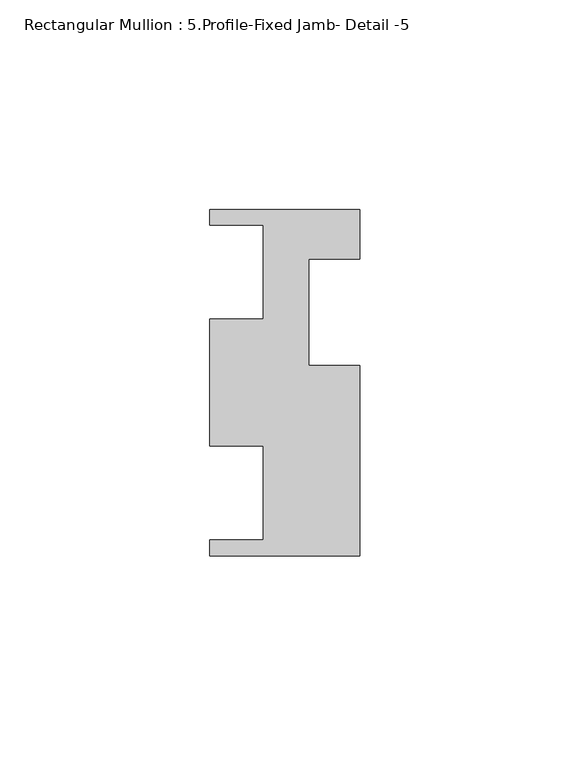
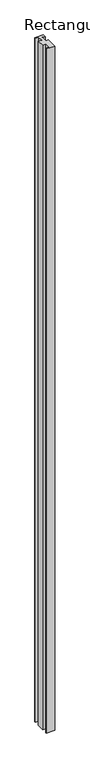
"""IFC4 building model written with IfcOpenShell, lengths in millimetres: member geometry, Rectangular Mullion : 5.Profile-Fixed Jamb- Detail -5."""

from ifc_helpers import new_model, si_unit, frame, origin, place, context, project, spatial, polyline, outline, extrude, source, transform, mapped, element, save


def rectangular_mullion_5_profile_fixed_jamb_detail_5_4b2dcb3e(model_context):
    return source(origin(), model_context, "Body", "SweptSolid", [
        extrude(outline(polyline([(-35.7632, 41.2876731), (0.0, 41.2876731), (0.0, 29.4512731), (-12.2174, 29.4512731), (-12.2174, 4.0512731), (0.0, 4.0512731), (0.0, -41.2623269), (-35.7632, -41.2623269), (-35.7632, -37.5285269), (-23.0632, -37.5285269), (-23.0632, -15.1511269), (-35.7632, -15.1511269), (-35.7632, 15.1764731), (-23.0632, 15.1764731), (-23.0632, 37.5538731), (-35.7632, 37.5538731), (-35.7632, 41.2876731)])), frame((0.0, 0.0, -3048.0), z_axis=(0.0, 0.0, 1.0), x_axis=(1.0, 0.0, 0.0)), (0.0, 0.0, 1.0), 3048.0),
    ])


if __name__ == "__main__":
    model = new_model("IFC4")
    model_context = context("Model", 3, world=origin())
    ifc_project = project(units=[si_unit("LENGTHUNIT", "METRE", prefix="MILLI")], contexts=[model_context])
    site = spatial("IfcSite", under=ifc_project)
    building = spatial("IfcBuilding", under=site)
    placement = place(None, origin())
    rectangular_mullion_5_profile_fixed_jamb_detail_5_shape = rectangular_mullion_5_profile_fixed_jamb_detail_5_4b2dcb3e(model_context)
    element("IfcMember", 1, ObjectType="Rectangular Mullion : 5.Profile-Fixed Jamb- Detail -5", at=placement, inside=building, context=model_context, shape_type="MappedRepresentation", body=[
        mapped(rectangular_mullion_5_profile_fixed_jamb_detail_5_shape, transform((0.0, 0.0, 0.0), x_axis=(1.0, 0.0, 0.0), y_axis=(0.0, 1.0, 0.0), z_axis=(0.0, 0.0, 1.0))),
    ])
    save(model, "model.ifc")
